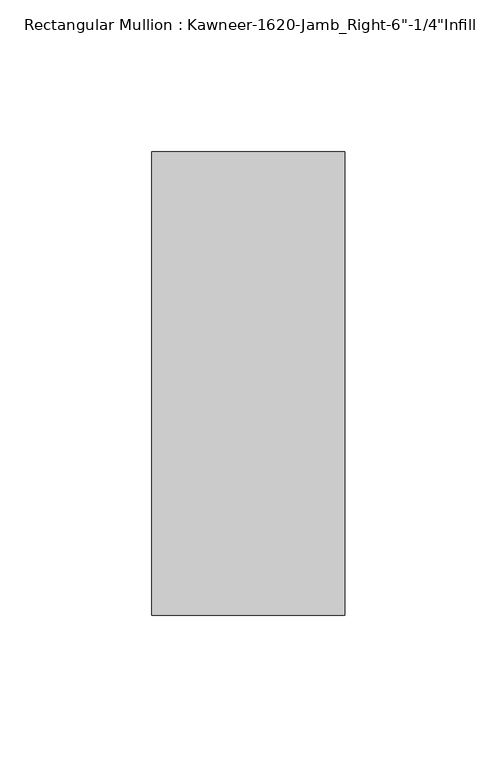
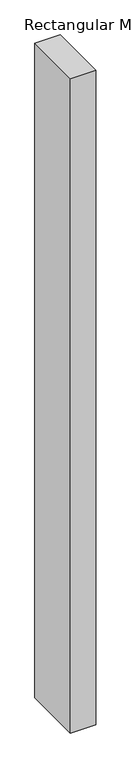
"""IFC4 building model written with IfcOpenShell, lengths in millimetres: member geometry."""

from ifc_helpers import new_model, si_unit, frame, origin, place, context, project, spatial, polyline, outline, extrude, source, transform, mapped, element, save


def member_585e1bc8(model_context):
    return source(origin(), model_context, "Body", "SweptSolid", [
        extrude(outline(polyline([(-63.5, -28.575), (-63.5, 123.825), (0.0, 123.825), (0.0, -28.575), (-63.5, -28.575)])), frame((0.0, 0.0, -1720.85), z_axis=(0.0, 0.0, 1.0), x_axis=(1.0, 0.0, 0.0)), (0.0, 0.0, 1.0), 1720.85),
    ])


if __name__ == "__main__":
    model = new_model("IFC4")
    model_context = context("Model", 3, world=origin())
    ifc_project = project(units=[si_unit("LENGTHUNIT", "METRE", prefix="MILLI")], contexts=[model_context])
    site = spatial("IfcSite", under=ifc_project)
    building = spatial("IfcBuilding", under=site)
    placement = place(None, origin())
    member_shape = member_585e1bc8(model_context)
    element("IfcMember", 1, ObjectType="Rectangular Mullion : Kawneer-1620-Jamb_Right-6\"-1/4\"Infill", at=placement, inside=building, context=model_context, shape_type="MappedRepresentation", body=[
        mapped(member_shape, transform((0.0, 0.0, 0.0), x_axis=(1.0, 0.0, 0.0), y_axis=(0.0, 1.0, 0.0), z_axis=(0.0, 0.0, 1.0))),
    ])
    save(model, "model.ifc")
